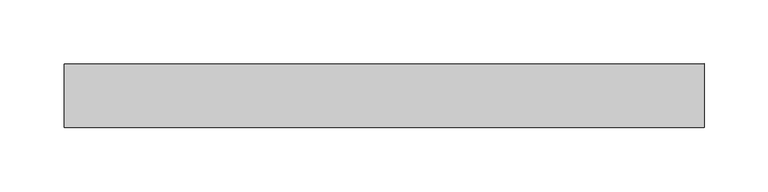
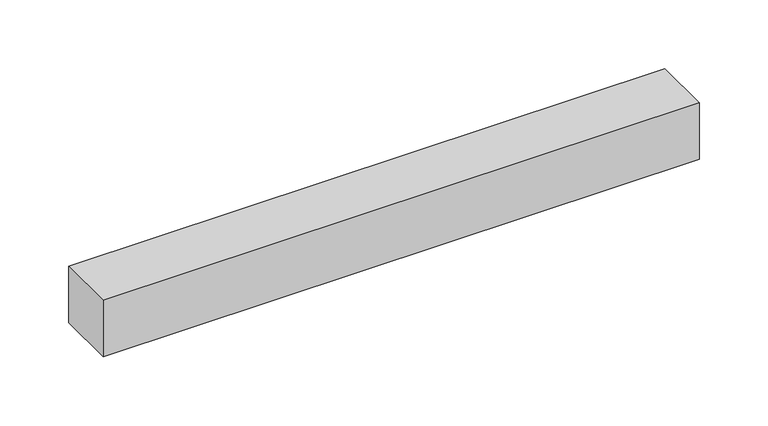
"""IFC4 building model written with IfcOpenShell, lengths in millimetres: proxy geometry."""

from ifc_helpers import new_model, si_unit, frame, origin, place, context, project, spatial, polyline, outline, extrude, source, transform, mapped, element, save


def mechanical_equipment_70fc56bc(model_context):
    return source(origin(), model_context, "Body", "SweptSolid", [
        extrude(outline(polyline([(500.0, 25.0), (500.0, -25.0), (0.0, -25.0), (0.0, 25.0), (500.0, 25.0)])), frame((0.0, 0.0, -25.0), z_axis=(0.0, 0.0, 1.0), x_axis=(1.0, 0.0, 0.0)), (0.0, 0.0, 1.0), 50.0),
    ])


if __name__ == "__main__":
    model = new_model("IFC4")
    model_context = context("Model", 3, world=origin())
    ifc_project = project(units=[si_unit("LENGTHUNIT", "METRE", prefix="MILLI")], contexts=[model_context])
    site = spatial("IfcSite", under=ifc_project)
    building = spatial("IfcBuilding", under=site)
    placement = place(None, origin())
    mechanical_equipment_shape = mechanical_equipment_70fc56bc(model_context)
    element("IfcBuildingElementProxy", 1, Name="Mechanical Equipment", at=placement, inside=building, context=model_context, shape_type="MappedRepresentation", body=[
        mapped(mechanical_equipment_shape, transform((0.0, 0.0, 0.0), x_axis=(1.0, 0.0, 0.0), y_axis=(0.0, 1.0, 0.0), z_axis=(0.0, 0.0, 1.0))),
    ])
    save(model, "model.ifc")
